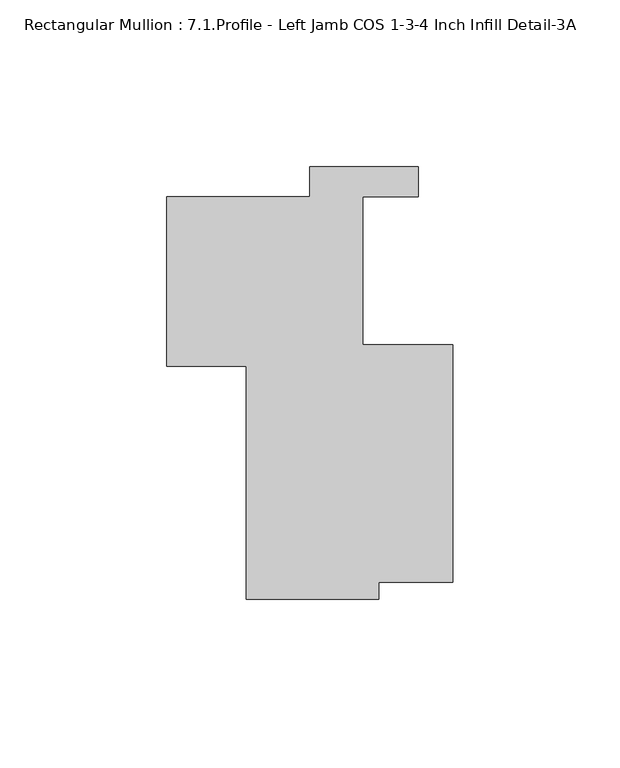
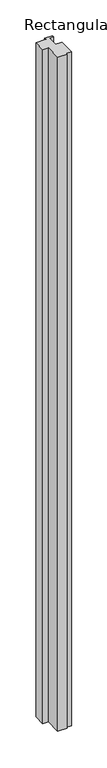
"""IFC4 building model written with IfcOpenShell, lengths in millimetres: member geometry, Rectangular Mullion : 7.1.Profile - Left Jamb COS 1-3-4 Inch Infill Detail-3A."""

import ifcopenshell
import ifcopenshell.guid

model = None  # the IFC model being written
_history = None  # IfcOwnerHistory: only IFC2X3 demands one
_inside = {}  # id of a spatial element -> (the spatial element, [elements in it])
_under = {}  # id of a project, library or spatial element -> (it, [spatial elements below it])
_declared = {}  # id of a project -> (the project, [libraries it declares])
_typed = {}  # id of a type object -> (the type object, [elements of that type])
_made_of = {}  # id of a material, layer set ... -> (it, [elements and type objects made of it])


def new_model(schema):
    """Start an empty IFC model of exactly this schema.

    Asked for "IFC4X3", IfcOpenShell would pick the latest addendum, in which some entities
    have other attributes; the version numbers below select the first issue.
    IFC2X3 requires an IfcOwnerHistory on every rooted entity: one is made here for all.
    """
    global model, _history
    if schema == "IFC4X3":
        model = ifcopenshell.file(schema_version=(4, 3, 0, 0))
    else:
        model = ifcopenshell.file(schema=schema)
    _inside.clear()
    _under.clear()
    _declared.clear()
    _typed.clear()
    _made_of.clear()
    _history = None
    if model.schema == "IFC2X3":
        org = make("IfcOrganization", Name="unknown")
        user = make(
            "IfcPersonAndOrganization",
            ThePerson=make("IfcPerson", FamilyName="unknown"),
            TheOrganization=org,
        )
        app = make(
            "IfcApplication",
            ApplicationDeveloper=org,
            Version="unknown",
            ApplicationFullName="unknown",
            ApplicationIdentifier="unknown",
        )
        _history = make(
            "IfcOwnerHistory",
            OwningUser=user,
            OwningApplication=app,
            ChangeAction="ADDED",
            CreationDate=0,
        )
    return model


def make(cls, **values):
    """One entity of the class cls with the attributes given. An attribute that is None is left unset."""
    return model.create_entity(
        cls, **{name: value for name, value in values.items() if value is not None}
    )


def rooted(cls, **values):
    """An entity with a GlobalId (a new one), such as an element, a storey or a relation."""
    return make(cls, GlobalId=ifcopenshell.guid.new(), OwnerHistory=_history, **values)


def si_unit(unit_type, name, prefix=None):
    """IfcSIUnit, for example si_unit("LENGTHUNIT", "METRE", prefix="MILLI")."""
    return make("IfcSIUnit", UnitType=unit_type, Prefix=prefix, Name=name)


def assignment(units):
    """IfcUnitAssignment: the units of a project."""
    return None if units is None else make("IfcUnitAssignment", Units=units)


def point(xyz):
    """IfcCartesianPoint."""
    return None if xyz is None else make("IfcCartesianPoint", Coordinates=xyz)


def direction(xyz):
    """IfcDirection."""
    return None if xyz is None else make("IfcDirection", DirectionRatios=xyz)


def frame(location, z_axis=None, x_axis=None):
    """IfcAxis2Placement3D, a coordinate frame: its origin and axes. An axis left out is left unset."""
    return make(
        "IfcAxis2Placement3D",
        Location=point(location),
        Axis=direction(z_axis),
        RefDirection=direction(x_axis),
    )


def origin():
    """The frame at (0, 0, 0) with its axes left unset."""
    return frame((0.0, 0.0, 0.0))


def place(relative_to, where):
    """IfcLocalPlacement: puts the frame where relative to a parent placement (None: the world)."""
    return make(
        "IfcLocalPlacement", PlacementRelTo=relative_to, RelativePlacement=where
    )


def context(
    kind, dimensions, precision=None, world=None, true_north=None, identifier=None
):
    """IfcGeometricRepresentationContext, for example the 3D "Model" context."""
    return make(
        "IfcGeometricRepresentationContext",
        ContextIdentifier=identifier,
        ContextType=kind,
        CoordinateSpaceDimension=dimensions,
        Precision=precision,
        WorldCoordinateSystem=world,
        TrueNorth=true_north,
    )


def project(units=None, contexts=None):
    """IfcProject with its units and contexts."""
    return rooted(
        "IfcProject",
        Name="project",
        RepresentationContexts=contexts,
        UnitsInContext=assignment(units),
    )


def spatial(cls, under=None, at=None, **own):
    """A site, building, storey or space (cls), placed at a placement, below another one or the project."""
    s = rooted(cls, ObjectPlacement=at, **own)
    if under is not None:
        _under.setdefault(under.id(), (under, []))[1].append(s)
    return s


def polyline(points):
    """IfcPolyline through the points."""
    return make("IfcPolyline", Points=[point(p) for p in points])


def outline(outer, holes=None, kind="AREA"):
    """IfcArbitraryClosedProfileDef: a profile drawn as a closed curve; with holes, ...WithVoids."""
    if holes is None:
        return make("IfcArbitraryClosedProfileDef", ProfileType=kind, OuterCurve=outer)
    return make(
        "IfcArbitraryProfileDefWithVoids",
        ProfileType=kind,
        OuterCurve=outer,
        InnerCurves=holes,
    )


def extrude(swept, where, along, depth):
    """IfcExtrudedAreaSolid: the profile swept, set in the frame where, extruded along a direction by depth."""
    return make(
        "IfcExtrudedAreaSolid",
        SweptArea=swept,
        Position=where,
        ExtrudedDirection=direction(along),
        Depth=depth,
    )


def shape(context_of_items, identifier, shape_type, items):
    """IfcShapeRepresentation: the items that make up one representation, for example the "Body"."""
    return make(
        "IfcShapeRepresentation",
        ContextOfItems=context_of_items,
        RepresentationIdentifier=identifier,
        RepresentationType=shape_type,
        Items=items,
    )


def source(mapping_origin, context_of_items, identifier, shape_type, items):
    """IfcRepresentationMap: a shape defined once, which mapped items show again and again."""
    return make(
        "IfcRepresentationMap",
        MappingOrigin=mapping_origin,
        MappedRepresentation=shape(context_of_items, identifier, shape_type, items),
    )


def transform(
    local_origin,
    x_axis=None,
    y_axis=None,
    z_axis=None,
    scale=None,
    scale2=None,
    scale3=None,
    uniform=True,
):
    """IfcCartesianTransformationOperator3D, or its non-uniform kind. x_axis, y_axis, z_axis: its Axis1, 2, 3."""
    if uniform:
        return make(
            "IfcCartesianTransformationOperator3D",
            Axis1=direction(x_axis),
            Axis2=direction(y_axis),
            LocalOrigin=point(local_origin),
            Scale=scale,
            Axis3=direction(z_axis),
        )
    return make(
        "IfcCartesianTransformationOperator3DnonUniform",
        Axis1=direction(x_axis),
        Axis2=direction(y_axis),
        LocalOrigin=point(local_origin),
        Scale=scale,
        Axis3=direction(z_axis),
        Scale2=scale2,
        Scale3=scale3,
    )


def mapped(mapping_source, mapping_target):
    """IfcMappedItem: shows the shape of a source again, moved by a transform."""
    return make(
        "IfcMappedItem", MappingSource=mapping_source, MappingTarget=mapping_target
    )


def made_of(thing, what):
    """Note that an element or type object is made of a material, layer set ...; save() writes the relation."""
    if what is not None:
        _made_of.setdefault(what.id(), (what, []))[1].append(thing)
    return thing


def element(
    cls,
    number,
    at=None,
    inside=None,
    cuts=None,
    type_object=None,
    material=None,
    context=None,
    identifier="Body",
    shape_type=None,
    held_by="IfcProductDefinitionShape",
    body=None,
    shapes=None,
    **own,
):
    """One element of the class cls, such as IfcWall. Its Tag is "e" and its number.

    at: its placement. inside: the storey or other place that contains it. cuts: it is an
    opening in that element (IfcRelVoidsElement). A single representation is given by context,
    identifier, shape_type and body (its items); several are given by shapes. held_by: the class
    of the entity that holds the representations. save() writes the other relations.
    """
    e = rooted(cls, Tag="e%d" % number, ObjectPlacement=at, **own)
    if body is not None:
        shapes = [shape(context, identifier, shape_type, body)]
    if shapes is not None:
        e.Representation = make(held_by, Representations=shapes)
    if inside is not None:
        _inside.setdefault(inside.id(), (inside, []))[1].append(e)
    if cuts is not None:
        rooted(
            "IfcRelVoidsElement", RelatingBuildingElement=cuts, RelatedOpeningElement=e
        )
    if type_object is not None:
        _typed.setdefault(type_object.id(), (type_object, []))[1].append(e)
    return made_of(e, material)


def aggregate(whole, parts):
    """IfcRelAggregates: a whole, such as a stair, and the parts it consists of."""
    return rooted("IfcRelAggregates", RelatingObject=whole, RelatedObjects=parts)


def save(model, path):
    """Write the relations noted so far, then the file.

    IfcRelAggregates (storeys below a building ...), IfcRelContainedInSpatialStructure (elements
    in a storey), IfcRelDefinesByType, IfcRelAssociatesMaterial and IfcRelDeclares: one each for
    every whole, place, type object, material and project.
    """
    for whole, parts in _under.values():
        aggregate(whole, parts)
    for where, things in _inside.values():
        rooted(
            "IfcRelContainedInSpatialStructure",
            RelatedElements=things,
            RelatingStructure=where,
        )
    for kind, things in _typed.values():
        rooted("IfcRelDefinesByType", RelatedObjects=things, RelatingType=kind)
    for what, things in _made_of.values():
        rooted("IfcRelAssociatesMaterial", RelatedObjects=things, RelatingMaterial=what)
    for by, libraries in _declared.values():
        rooted("IfcRelDeclares", RelatingContext=by, RelatedDefinitions=libraries)
    model.write(path)


def rectangular_mullion_7_1_profile_left_jamb_cos_1_3_4_inch_b672b8ea(model_context):
    return source(origin(), model_context, "Body", "SweptSolid", [
        extrude(outline(polyline([(-22.225, -11.5569999), (-22.225, -16.6409664), (-61.9125, -16.6409664), (-61.9125, 53.213), (-85.7123, 53.213), (-85.7123, 104.013), (-42.9038315, 104.013), (-42.9038315, 112.9792001), (-10.3918315, 112.9792001), (-10.3918315, 104.0643633), (-26.9874995, 104.0643633), (-26.9874995, 59.6143633), (0.0, 59.6143633), (0.0, -11.5569999), (-22.225, -11.5569999)])), frame((0.0, 0.0, -3048.0), z_axis=(0.0, 0.0, 1.0), x_axis=(1.0, 0.0, 0.0)), (0.0, 0.0, 1.0), 3048.0),
    ])


if __name__ == "__main__":
    model = new_model("IFC4")
    model_context = context("Model", 3, world=origin())
    ifc_project = project(units=[si_unit("LENGTHUNIT", "METRE", prefix="MILLI")], contexts=[model_context])
    site = spatial("IfcSite", under=ifc_project)
    building = spatial("IfcBuilding", under=site)
    placement = place(None, origin())
    rectangular_mullion_7_1_profile_left_jamb_cos_1_3_4_inch_shape = rectangular_mullion_7_1_profile_left_jamb_cos_1_3_4_inch_b672b8ea(model_context)
    element("IfcMember", 1, ObjectType="Rectangular Mullion : 7.1.Profile - Left Jamb COS 1-3-4 Inch Infill Detail-3A", at=placement, inside=building, context=model_context, shape_type="MappedRepresentation", body=[
        mapped(rectangular_mullion_7_1_profile_left_jamb_cos_1_3_4_inch_shape, transform((0.0, 0.0, 0.0), x_axis=(1.0, 0.0, 0.0), y_axis=(0.0, 1.0, 0.0), z_axis=(0.0, 0.0, 1.0))),
    ])
    save(model, "model.ifc")
